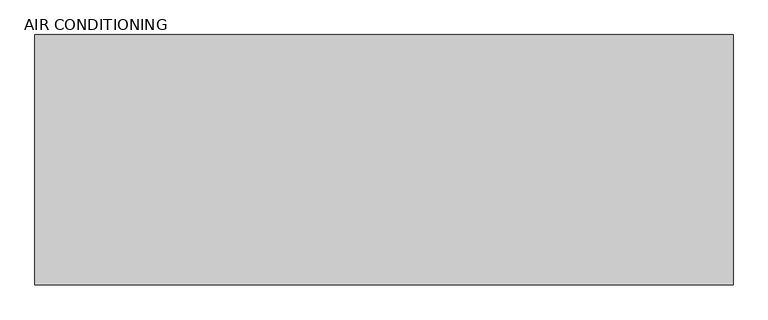
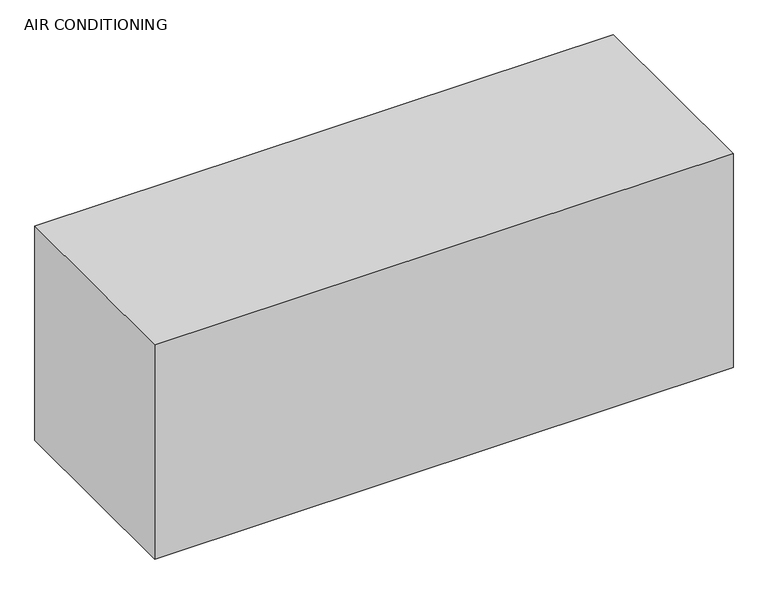
"""IFC4 building model written with IfcOpenShell, lengths in millimetres: proxy geometry, AIR CONDITIONING."""

from ifc_helpers import new_model, si_unit, origin, origin_with_axes, place, context, project, spatial, polyline, outline, extrude, source, transform, mapped, element, save


def air_conditioning_2900fd97(model_context):
    return source(origin(), model_context, "Body", "SweptSolid", [
        extrude(outline(polyline([(2336.7873, 0.0), (2336.7873, -838.1884176), (0.0, -838.1884176), (0.0, 0.0), (2336.7873, 0.0)])), origin_with_axes(), (0.0, 0.0, 1.0), 914.4),
    ])


if __name__ == "__main__":
    model = new_model("IFC4")
    model_context = context("Model", 3, world=origin())
    ifc_project = project(units=[si_unit("LENGTHUNIT", "METRE", prefix="MILLI")], contexts=[model_context])
    site = spatial("IfcSite", under=ifc_project)
    building = spatial("IfcBuilding", under=site)
    placement = place(None, origin())
    air_conditioning_shape = air_conditioning_2900fd97(model_context)
    element("IfcBuildingElementProxy", 1, Name="AIR CONDITIONING", ObjectType="AIR CONDITIONING", at=placement, inside=building, context=model_context, shape_type="MappedRepresentation", body=[
        mapped(air_conditioning_shape, transform((0.0, 0.0, 0.0), x_axis=(1.0, 0.0, 0.0), y_axis=(0.0, 1.0, 0.0), z_axis=(0.0, 0.0, 1.0))),
    ])
    save(model, "model.ifc")
